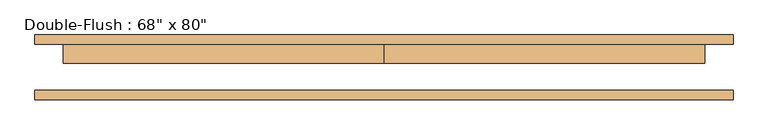
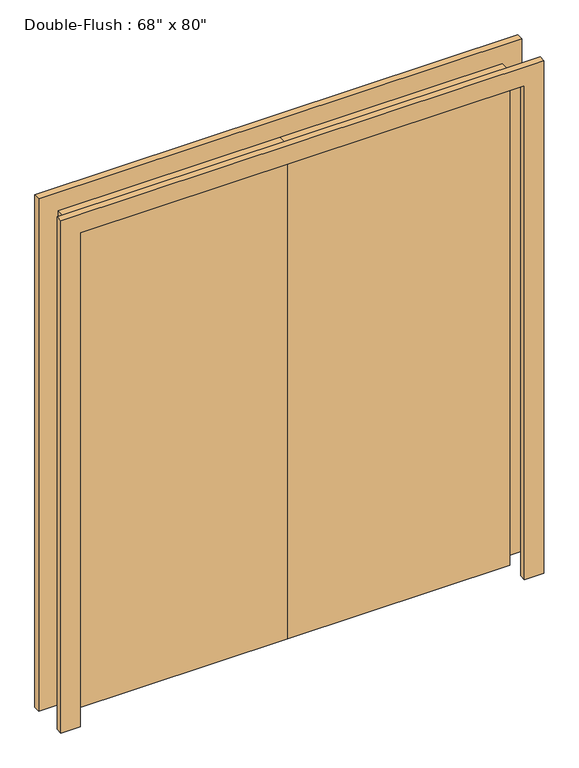
"""IFC4 building model written with IfcOpenShell, lengths in millimetres: door geometry."""

from ifc_helpers import new_model, si_unit, frame, origin, origin_with_axes, place, context, project, spatial, polyline, outline, extrude, source, transform, mapped, element, save


def door_0f23aa72(model_context):
    return source(origin(), model_context, "Body", "SweptSolid", [
        extrude(outline(polyline([(0.0, 61.9125), (863.6, 61.9125), (863.6, 11.1125), (0.0, 11.1125), (0.0, 61.9125)])), origin_with_axes(), (0.0, 0.0, 1.0), 2032.0),
        extrude(outline(polyline([(-863.6, 61.9125), (0.0, 61.9125), (0.0, 11.1125), (-863.6, 11.1125), (-863.6, 61.9125)])), origin_with_axes(), (0.0, 0.0, 1.0), 2032.0),
        extrude(outline(polyline([(2032.0, -863.6), (2032.0, 863.6), (0.0, 863.6), (0.0, 939.8), (2108.2, 939.8), (2108.2, -939.8), (0.0, -939.8), (0.0, -863.6), (2032.0, -863.6)])), frame((0.0, -87.3125, 0.0), z_axis=(0.0, 1.0, 0.0), x_axis=(0.0, 0.0, 1.0)), (0.0, 0.0, 1.0), 25.4),
        extrude(outline(polyline([(2032.0, -863.6), (2032.0, 863.6), (0.0, 863.6), (0.0, 939.8), (2108.2, 939.8), (2108.2, -939.8), (0.0, -939.8), (0.0, -863.6), (2032.0, -863.6)])), frame((0.0, 61.9125, 0.0), z_axis=(0.0, 1.0, 0.0), x_axis=(0.0, 0.0, 1.0)), (0.0, 0.0, 1.0), 25.4),
    ])


if __name__ == "__main__":
    model = new_model("IFC4")
    model_context = context("Model", 3, world=origin())
    ifc_project = project(units=[si_unit("LENGTHUNIT", "METRE", prefix="MILLI")], contexts=[model_context])
    site = spatial("IfcSite", under=ifc_project)
    building = spatial("IfcBuilding", under=site)
    placement = place(None, origin())
    door_shape = door_0f23aa72(model_context)
    element("IfcDoor", 1, ObjectType="Double-Flush : 68\" x 80\"", at=placement, inside=building, context=model_context, shape_type="MappedRepresentation", body=[
        mapped(door_shape, transform((0.0, 0.0, 0.0), x_axis=(1.0, 0.0, 0.0), y_axis=(0.0, 1.0, 0.0), z_axis=(0.0, 0.0, 1.0))),
    ])
    save(model, "model.ifc")
